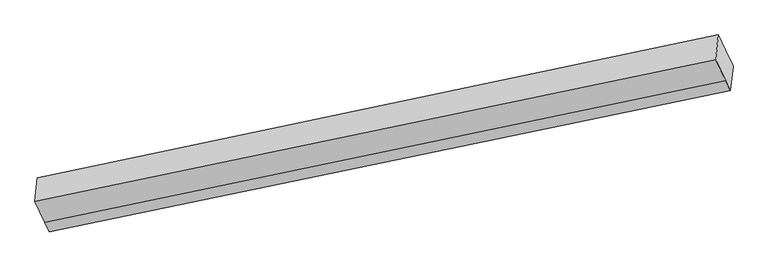
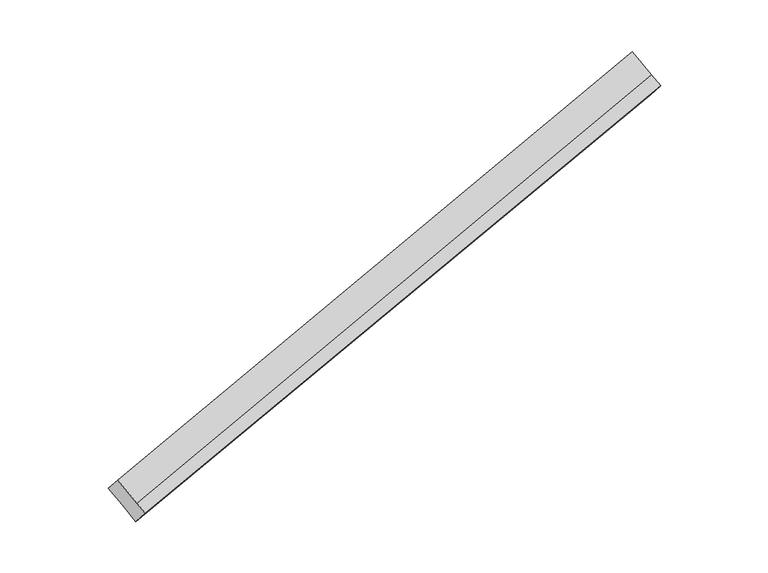
"""IFC4 building model written with IfcOpenShell, lengths in millimetres: proxy geometry."""

from ifc_helpers import new_model, si_unit, origin, place, context, project, spatial, faceted_brep, source, transform, mapped, element, save


def generic_models_73df017c(model_context):
    return source(origin(), model_context, "Body", "Brep", [
        faceted_brep([(-5922.0960254, -2043.5424303, 908.0217469), (-5987.4163151, -1904.462907, 1031.1956618), (156.3235966, -610.4510009, 2841.0084235), (223.0201375, -752.4608289, 2715.2393235), (-6009.6886772, -2113.4239489, 1255.328872), (132.6706803, -832.3645105, 3079.0345496), (-5919.2432104, -2305.9998308, 1084.7766246), (221.9602497, -1022.4792635, 2910.6619679), (-5879.0480977, -2391.5829955, 1008.9810423), (266.0637622, -1116.3841667, 2827.4963497), (-5856.7757357, -2182.6219536, 784.8478321), (289.7166784, -894.470657, 2589.4702235)], [[[0, 1, 2, 3]], [[1, 4, 5, 2]], [[4, 6, 7, 5]], [[6, 8, 9, 7]], [[8, 10, 11, 9]], [[10, 0, 3, 11]], [[9, 11, 3, 2, 5, 7]], [[0, 10, 8, 6, 4, 1]]]),
    ])


if __name__ == "__main__":
    model = new_model("IFC4")
    model_context = context("Model", 3, world=origin())
    ifc_project = project(units=[si_unit("LENGTHUNIT", "METRE", prefix="MILLI")], contexts=[model_context])
    site = spatial("IfcSite", under=ifc_project)
    building = spatial("IfcBuilding", under=site)
    placement = place(None, origin())
    generic_models_shape = generic_models_73df017c(model_context)
    element("IfcBuildingElementProxy", 1, Name="Generic Models", at=placement, inside=building, context=model_context, shape_type="MappedRepresentation", body=[
        mapped(generic_models_shape, transform((0.0, 0.0, 0.0), x_axis=(1.0, 0.0, 0.0), y_axis=(0.0, 1.0, 0.0), z_axis=(0.0, 0.0, 1.0))),
    ])
    save(model, "model.ifc")
